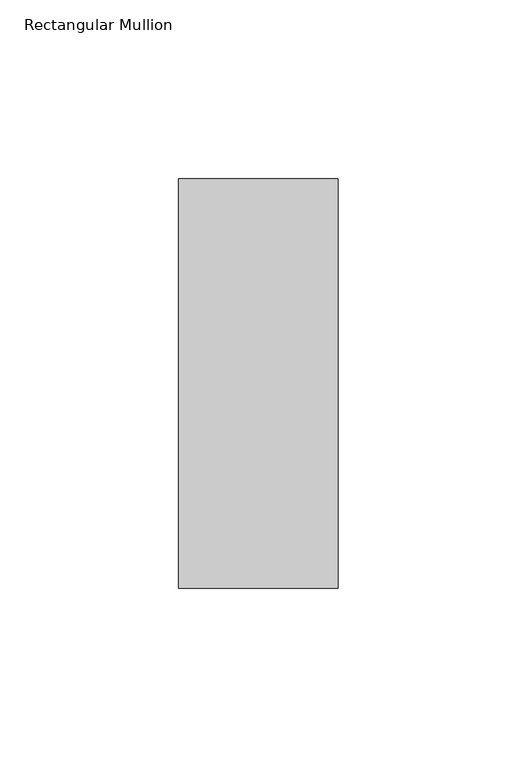
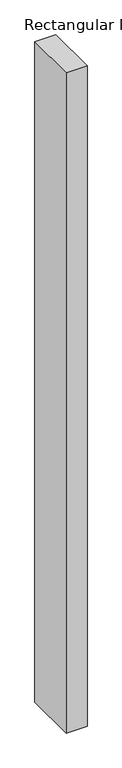
"""IFC4 building model written with IfcOpenShell, lengths in millimetres: member geometry, Rectangular Mullion."""

from ifc_helpers import new_model, si_unit, frame, origin, place, context, project, spatial, polyline, outline, extrude, source, transform, mapped, element, save


def rectangular_mullion_c40cc582(model_context):
    return source(origin(), model_context, "Body", "SweptSolid", [
        extrude(outline(polyline([(22.2392248, 56.3844454), (22.2392248, -57.9084454), (-22.2107752, -57.9084454), (-22.2107752, 56.3844454), (22.2392248, 56.3844454)])), frame((0.0, 0.0, -1479.55), z_axis=(0.0, 0.0, 1.0), x_axis=(1.0, 0.0, 0.0)), (0.0, 0.0, 1.0), 1479.55),
    ])


if __name__ == "__main__":
    model = new_model("IFC4")
    model_context = context("Model", 3, world=origin())
    ifc_project = project(units=[si_unit("LENGTHUNIT", "METRE", prefix="MILLI")], contexts=[model_context])
    site = spatial("IfcSite", under=ifc_project)
    building = spatial("IfcBuilding", under=site)
    placement = place(None, origin())
    rectangular_mullion_shape = rectangular_mullion_c40cc582(model_context)
    element("IfcMember", 1, ObjectType="Rectangular Mullion", at=placement, inside=building, context=model_context, shape_type="MappedRepresentation", body=[
        mapped(rectangular_mullion_shape, transform((0.0, 0.0, 0.0), x_axis=(1.0, 0.0, 0.0), y_axis=(0.0, 1.0, 0.0), z_axis=(0.0, 0.0, 1.0))),
    ])
    save(model, "model.ifc")
